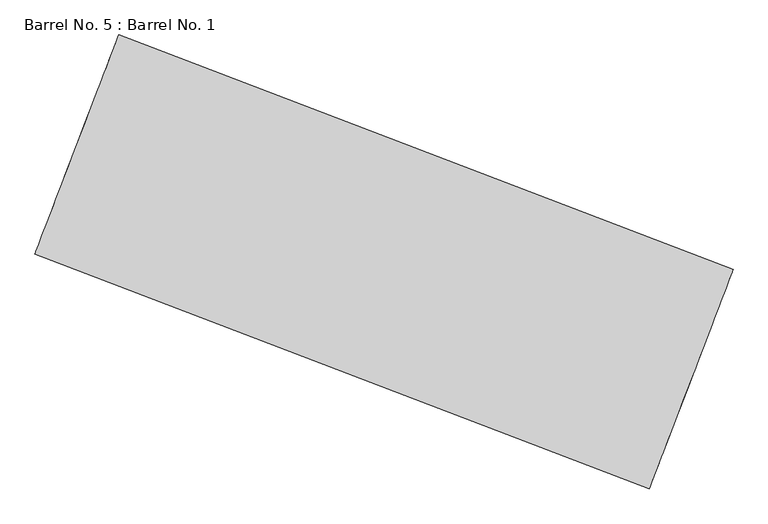
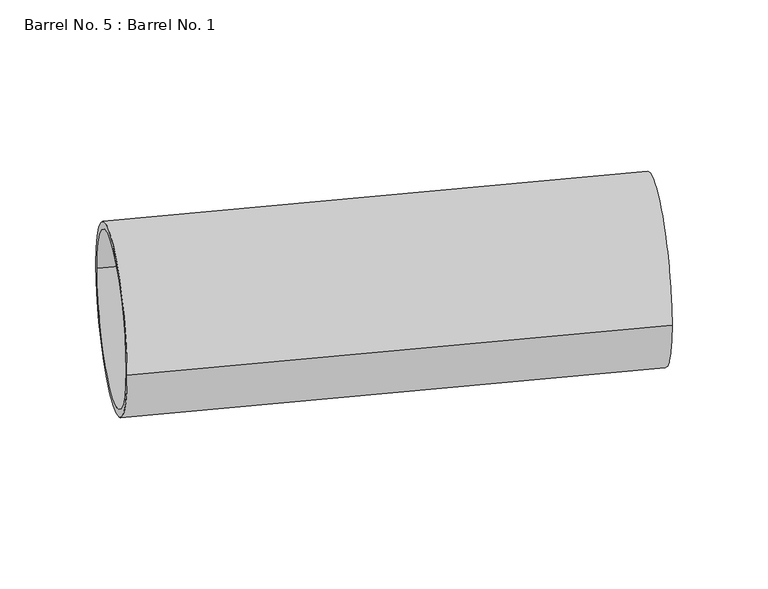
"""IFC4 building model written with IfcOpenShell, lengths in millimetres: proxy geometry, Barrel No. 5 : Barrel No. 1."""

from ifc_helpers import new_model, si_unit, point, frame, frame_2d, origin, place, context, project, spatial, circle_curve, trimmed, segment, composite_curve, outline, extrude, source, transform, mapped, element, save


def barrel_no_5_barrel_no_1_1340705a(model_context):
    return source(origin(), model_context, "Body", "SweptSolid", [
        extrude(outline(composite_curve([segment(trimmed(circle_curve(frame_2d((0.0, -317.5)), 317.5), [point((0.0, -635.0000001))], [point((0.0, 0.0))], False, "CARTESIAN"), True, "CONTINUOUS"), segment(trimmed(circle_curve(frame_2d((0.0, -317.5)), 317.5), [point((0.0, 0.0))], [point((0.0, -635.0000001))], False, "CARTESIAN"), True, "CONTINUOUS")], self_intersect=False), holes=[composite_curve([segment(trimmed(circle_curve(frame_2d((0.0, -317.5)), 292.1), [point((0.0, -609.6000001))], [point((0.0, -25.4))], True, "CARTESIAN"), True, "CONTINUOUS"), segment(trimmed(circle_curve(frame_2d((0.0, -317.5)), 292.1), [point((0.0, -25.4))], [point((0.0, -609.6000001))], True, "CARTESIAN"), True, "CONTINUOUS")], self_intersect=False)]), frame((142388.0837592, 32710.8256653, 317.5), z_axis=(-0.9340517713756925, 0.3571376322791134, 0.0), x_axis=(0.0, 0.0, 1.0)), (0.0, 0.0, 1.0), 1778.0),
    ])


if __name__ == "__main__":
    model = new_model("IFC4")
    model_context = context("Model", 3, world=origin())
    ifc_project = project(units=[si_unit("LENGTHUNIT", "METRE", prefix="MILLI")], contexts=[model_context])
    site = spatial("IfcSite", under=ifc_project)
    building = spatial("IfcBuilding", under=site)
    placement = place(None, origin())
    barrel_no_5_barrel_no_1_shape = barrel_no_5_barrel_no_1_1340705a(model_context)
    element("IfcBuildingElementProxy", 1, Name="Barrel No. 5 : Barrel No. 1", ObjectType="Barrel No. 5 : Barrel No. 1", at=placement, inside=building, context=model_context, shape_type="MappedRepresentation", body=[
        mapped(barrel_no_5_barrel_no_1_shape, transform((0.0, 0.0, 0.0), x_axis=(1.0, 0.0, 0.0), y_axis=(0.0, 1.0, 0.0), z_axis=(0.0, 0.0, 1.0))),
    ])
    save(model, "model.ifc")
